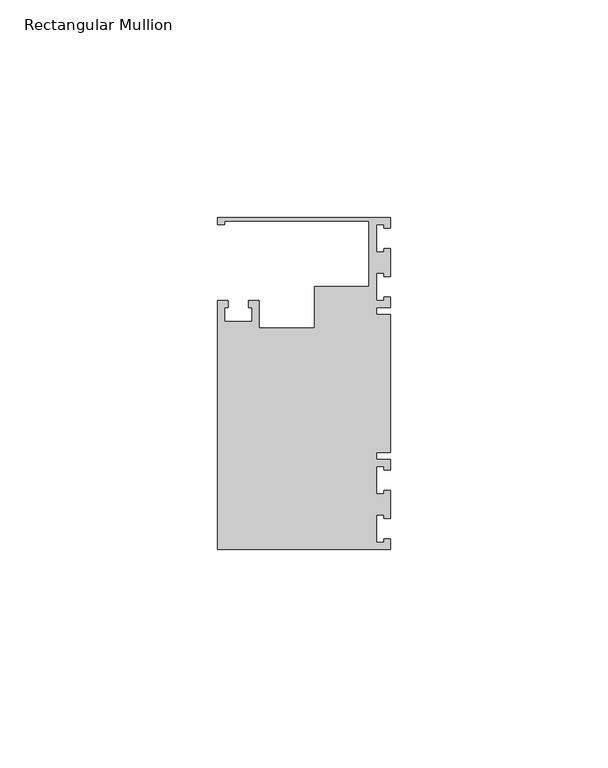
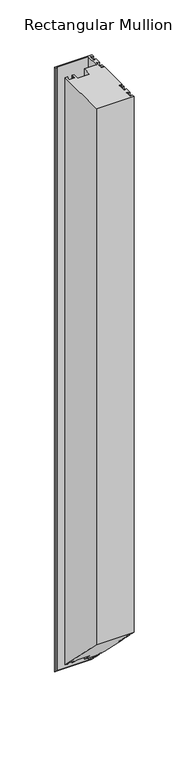
"""IFC4 building model written with IfcOpenShell, lengths in millimetres: member geometry, Rectangular Mullion."""

from ifc_helpers import new_model, si_unit, origin, place, context, project, spatial, faceted_brep, source, transform, mapped, element, save


def rectangular_mullion_ada1b517(model_context):
    return source(origin(), model_context, "Body", "Brep", [
        faceted_brep([(0.0, 38.1, 0.0), (-39.6875, 38.1, 0.0), (-39.6875, 36.5125, 0.0), (-38.1, 36.5125, 0.0), (-38.1, 37.30625, 0.0), (-4.8585733, 37.30625, 0.0), (-4.8585733, 22.225, 0.0), (-17.4625, 22.225, 0.0), (-17.4625, 12.6999969, 0.0), (-30.1625, 12.6999969, 0.0), (-30.1625, 19.05, 0.0), (-32.54375, 19.05, 0.0), (-32.54375, 17.4625, 0.0), (-31.75, 17.4625, 0.0), (-31.75, 14.2875, 0.0), (-38.1, 14.2875, 0.0), (-38.1, 17.4625, 0.0), (-37.30625, 17.4625, 0.0), (-37.30625, 19.05, 0.0), (-39.6875, 19.05, 0.0), (-39.6875, -38.1, 0.0), (0.0, -38.1, 0.0), (0.0, -35.71875, 0.0), (-1.4999946, -35.71875, 0.0), (-1.4999946, -36.5125, 0.0), (-3.175, -36.5125, 0.0), (-3.175, -30.1625, 0.0), (-1.4999946, -30.1625, 0.0), (-1.4999946, -30.95625, 0.0), (0.0, -30.95625, 0.0), (0.0, -24.60625, 0.0), (-1.4999946, -24.60625, 0.0), (-1.4999946, -25.4, 0.0), (-3.175, -25.4, 0.0), (-3.175, -19.05, 0.0), (-1.4999946, -19.05, 0.0), (-1.4999946, -19.84375, 0.0), (0.0, -19.84375, 0.0), (0.0, -17.4625, 0.0), (-3.175, -17.4625, 0.0), (-3.175, -15.875, 0.0), (0.0, -15.875, 0.0), (0.0, 15.875, 0.0), (-3.175, 15.875, 0.0), (-3.175, 17.4625, 0.0), (0.0, 17.4625, 0.0), (0.0, 19.84375, 0.0), (-1.4999946, 19.84375, 0.0), (-1.4999946, 19.05, 0.0), (-3.175, 19.05, 0.0), (-3.175, 25.4, 0.0), (-1.4999946, 25.4, 0.0), (-1.4999946, 24.60625, 0.0), (0.0, 24.60625, 0.0), (0.0, 30.95625, 0.0), (-1.4999946, 30.95625, 0.0), (-1.4999946, 30.1625, 0.0), (-3.175, 30.1625, 0.0), (-3.175, 36.5125, 0.0), (-1.4999946, 36.5125, 0.0), (-1.4999946, 35.71875, 0.0), (0.0, 35.71875, 0.0), (0.0, 38.1, -673.1), (-39.6875, 38.1, -673.1), (-39.6875, 36.5125, -671.5125), (-38.1, 36.5125, -671.5125), (-38.1, 37.30625, -672.30625), (-4.8585733, 37.30625, -672.30625), (-4.8585733, 22.225, -657.225), (-17.4625, 22.225, -657.225), (-17.4625, 12.6999969, -647.6999969), (-30.1625, 12.6999969, -647.6999969), (-30.1625, 19.05, -654.05), (-32.54375, 19.05, -654.05), (-32.54375, 17.4625, -652.4625), (-31.75, 17.4625, -652.4625), (-31.75, 14.2875, -649.2875), (-38.1, 14.2875, -649.2875), (-38.1, 17.4625, -652.4625), (-37.30625, 17.4625, -652.4625), (-37.30625, 19.05, -654.05), (-39.6875, 19.05, -654.05), (-39.6875, -38.1, -596.9), (0.0, -38.1, -596.9), (0.0, -35.71875, -599.28125), (-1.4999946, -35.71875, -599.28125), (-1.4999946, -36.5125, -598.4875), (-3.175, -36.5125, -598.4875), (-3.175, -30.1625, -604.8375), (-1.4999946, -30.1625, -604.8375), (-1.4999946, -30.95625, -604.04375), (0.0, -30.95625, -604.04375), (0.0, -24.60625, -610.39375), (-1.4999946, -24.60625, -610.39375), (-1.4999946, -25.4, -609.6), (-3.175, -25.4, -609.6), (-3.175, -19.05, -615.95), (-1.4999946, -19.05, -615.95), (-1.4999946, -19.84375, -615.15625), (0.0, -19.84375, -615.15625), (0.0, -17.4625, -617.5375), (-3.175, -17.4625, -617.5375), (-3.175, -15.875, -619.125), (0.0, -15.875, -619.125), (0.0, 15.875, -650.875), (-3.175, 15.875, -650.875), (-3.175, 17.4625, -652.4625), (0.0, 17.4625, -652.4625), (0.0, 19.84375, -654.84375), (-1.4999946, 19.84375, -654.84375), (-1.4999946, 19.05, -654.05), (-3.175, 19.05, -654.05), (-3.175, 25.4, -660.4), (-1.4999946, 25.4, -660.4), (-1.4999946, 24.60625, -659.60625), (0.0, 24.60625, -659.60625), (0.0, 30.95625, -665.95625), (-1.4999946, 30.95625, -665.95625), (-1.4999946, 30.1625, -665.1625), (-3.175, 30.1625, -665.1625), (-3.175, 36.5125, -671.5125), (-1.4999946, 36.5125, -671.5125), (-1.4999946, 35.71875, -670.71875), (0.0, 35.71875, -670.71875)], [[[0, 1, 2, 3, 4, 5, 6, 7, 8, 9, 10, 11, 12, 13, 14, 15, 16, 17, 18, 19, 20, 21, 22, 23, 24, 25, 26, 27, 28, 29, 30, 31, 32, 33, 34, 35, 36, 37, 38, 39, 40, 41, 42, 43, 44, 45, 46, 47, 48, 49, 50, 51, 52, 53, 54, 55, 56, 57, 58, 59, 60, 61]], [[1, 0, 62, 63]], [[2, 1, 63, 64]], [[3, 2, 64, 65]], [[4, 3, 65, 66]], [[5, 4, 66, 67]], [[6, 5, 67, 68]], [[7, 6, 68, 69]], [[8, 7, 69, 70]], [[9, 8, 70, 71]], [[10, 9, 71, 72]], [[11, 10, 72, 73]], [[12, 11, 73, 74]], [[13, 12, 74, 75]], [[14, 13, 75, 76]], [[15, 14, 76, 77]], [[16, 15, 77, 78]], [[17, 16, 78, 79]], [[18, 17, 79, 80]], [[19, 18, 80, 81]], [[20, 19, 81, 82]], [[21, 20, 82, 83]], [[22, 21, 83, 84]], [[23, 22, 84, 85]], [[24, 23, 85, 86]], [[25, 24, 86, 87]], [[26, 25, 87, 88]], [[27, 26, 88, 89]], [[28, 27, 89, 90]], [[29, 28, 90, 91]], [[30, 29, 91, 92]], [[31, 30, 92, 93]], [[32, 31, 93, 94]], [[33, 32, 94, 95]], [[34, 33, 95, 96]], [[35, 34, 96, 97]], [[36, 35, 97, 98]], [[37, 36, 98, 99]], [[38, 37, 99, 100]], [[39, 38, 100, 101]], [[40, 39, 101, 102]], [[41, 40, 102, 103]], [[42, 41, 103, 104]], [[43, 42, 104, 105]], [[44, 43, 105, 106]], [[45, 44, 106, 107]], [[46, 45, 107, 108]], [[47, 46, 108, 109]], [[48, 47, 109, 110]], [[49, 48, 110, 111]], [[50, 49, 111, 112]], [[51, 50, 112, 113]], [[52, 51, 113, 114]], [[53, 52, 114, 115]], [[54, 53, 115, 116]], [[55, 54, 116, 117]], [[56, 55, 117, 118]], [[57, 56, 118, 119]], [[58, 57, 119, 120]], [[59, 58, 120, 121]], [[60, 59, 121, 122]], [[61, 60, 122, 123]], [[0, 61, 123, 62]], [[62, 123, 122, 121, 120, 119, 118, 117, 116, 115, 114, 113, 112, 111, 110, 109, 108, 107, 106, 105, 104, 103, 102, 101, 100, 99, 98, 97, 96, 95, 94, 93, 92, 91, 90, 89, 88, 87, 86, 85, 84, 83, 82, 81, 80, 79, 78, 77, 76, 75, 74, 73, 72, 71, 70, 69, 68, 67, 66, 65, 64, 63]]]),
    ])


if __name__ == "__main__":
    model = new_model("IFC4")
    model_context = context("Model", 3, world=origin())
    ifc_project = project(units=[si_unit("LENGTHUNIT", "METRE", prefix="MILLI")], contexts=[model_context])
    site = spatial("IfcSite", under=ifc_project)
    building = spatial("IfcBuilding", under=site)
    placement = place(None, origin())
    rectangular_mullion_shape = rectangular_mullion_ada1b517(model_context)
    element("IfcMember", 1, ObjectType="Rectangular Mullion", at=placement, inside=building, context=model_context, shape_type="MappedRepresentation", body=[
        mapped(rectangular_mullion_shape, transform((0.0, 0.0, 0.0), x_axis=(1.0, 0.0, 0.0), y_axis=(0.0, 1.0, 0.0), z_axis=(0.0, 0.0, 1.0))),
    ])
    save(model, "model.ifc")
